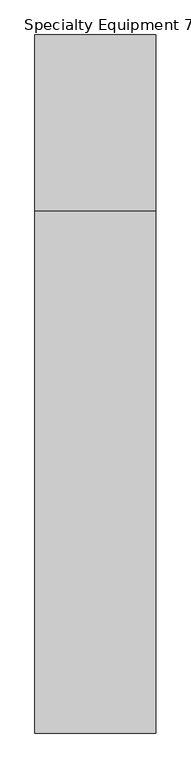
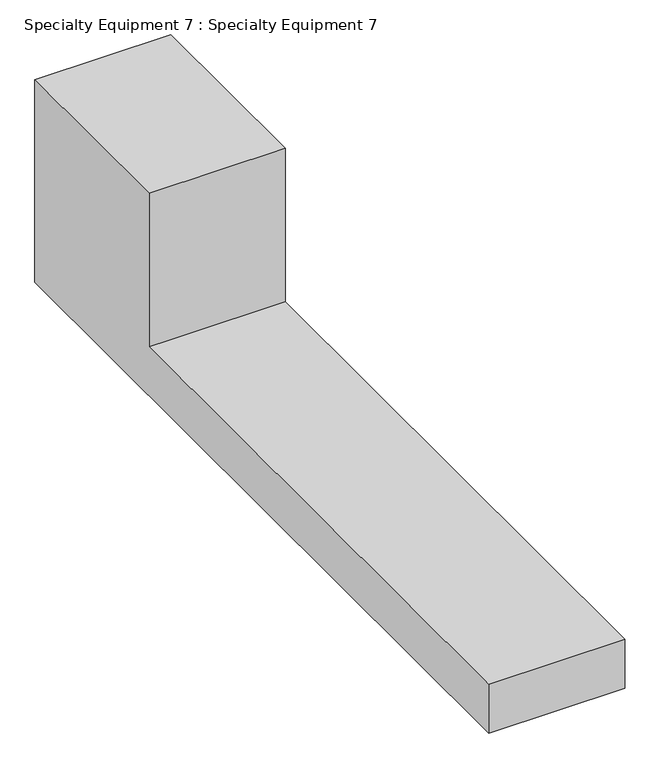
"""IFC4 building model written with IfcOpenShell, lengths in millimetres: proxy geometry, Specialty Equipment 7 : Specialty Equipment 7."""

from ifc_helpers import new_model, si_unit, frame, origin, place, context, project, spatial, polyline, outline, extrude, source, transform, mapped, element, save


def specialty_equipment_7_specialty_equipment_7_04815eb7(model_context):
    return source(origin(), model_context, "Body", "SweptSolid", [
        extrude(outline(polyline([(26974.5483512, -9182.477248), (26974.5483512, -8712.2), (32318.8474024, -8712.2), (32318.8474024, -7239.0), (34115.5829099, -7239.0), (34115.5829099, -9182.477248), (26974.5483512, -9182.477248)])), frame((-25498.4826146, 0.0, 0.0), z_axis=(1.0, 0.0, 0.0), x_axis=(0.0, 1.0, 0.0)), (0.0, 0.0, 1.0), 1236.2157362),
    ])


if __name__ == "__main__":
    model = new_model("IFC4")
    model_context = context("Model", 3, world=origin())
    ifc_project = project(units=[si_unit("LENGTHUNIT", "METRE", prefix="MILLI")], contexts=[model_context])
    site = spatial("IfcSite", under=ifc_project)
    building = spatial("IfcBuilding", under=site)
    placement = place(None, origin())
    specialty_equipment_7_specialty_equipment_7_shape = specialty_equipment_7_specialty_equipment_7_04815eb7(model_context)
    element("IfcBuildingElementProxy", 1, Name="Specialty Equipment 7 : Specialty Equipment 7", ObjectType="Specialty Equipment 7 : Specialty Equipment 7", at=placement, inside=building, context=model_context, shape_type="MappedRepresentation", body=[
        mapped(specialty_equipment_7_specialty_equipment_7_shape, transform((0.0, 0.0, 0.0), x_axis=(1.0, 0.0, 0.0), y_axis=(0.0, 1.0, 0.0), z_axis=(0.0, 0.0, 1.0))),
    ])
    save(model, "model.ifc")
